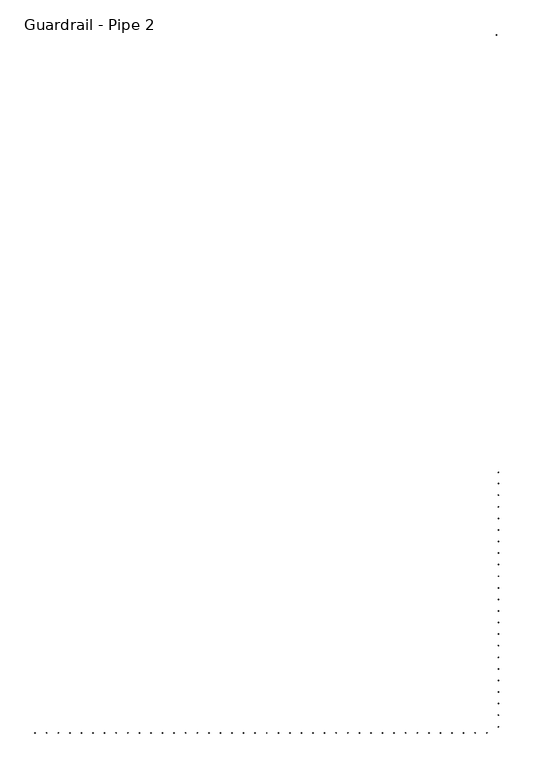
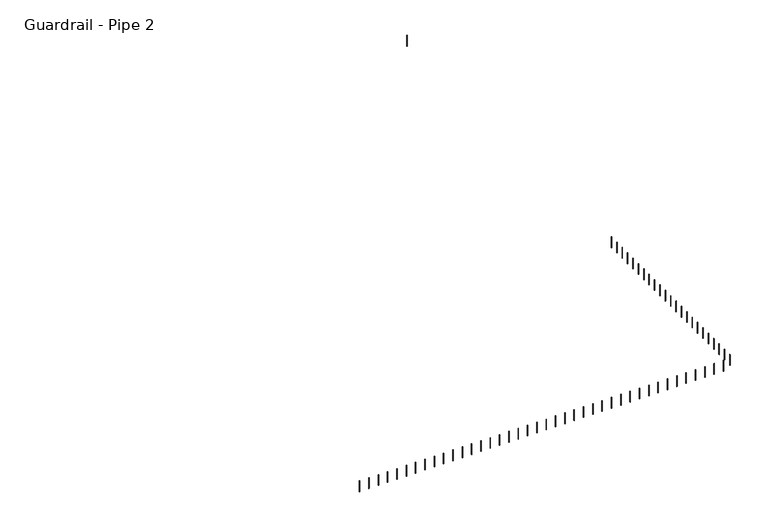
"""IFC4 building model written with IfcOpenShell, lengths in millimetres: railing geometry, Guardrail - Pipe 2."""

from ifc_helpers import new_model, si_unit, point, frame, frame_2d, origin, place, context, project, spatial, circle_curve, trimmed, segment, composite_curve, outline, extrude, source, transform, mapped, element, save


def guardrail_pipe_2_79d93ec9(model_context):
    return source(origin(), model_context, "Body", "SweptSolid", [
        extrude(outline(composite_curve([segment(trimmed(circle_curve(frame_2d((217664.0525869, -519278.4080223)), 12.7), [point((217664.0525869, -519291.1080223))], [point((217664.0525869, -519265.7080223))], False, "CARTESIAN"), True, "CONTINUOUS"), segment(trimmed(circle_curve(frame_2d((217664.0525869, -519278.4080223)), 12.7), [point((217664.0525869, -519265.7080223))], [point((217664.0525869, -519291.1080223))], False, "CARTESIAN"), True, "CONTINUOUS")], self_intersect=False)), frame((0.0, 0.0, 4572.0), z_axis=(0.0, 0.0, 1.0), x_axis=(1.0, 0.0, 0.0)), (0.0, 0.0, 1.0), 723.9),
        extrude(outline(composite_curve([segment(trimmed(circle_curve(frame_2d((218273.6525869, -519278.4080223)), 12.7), [point((218273.6525869, -519291.1080223))], [point((218273.6525869, -519265.7080223))], False, "CARTESIAN"), True, "CONTINUOUS"), segment(trimmed(circle_curve(frame_2d((218273.6525869, -519278.4080223)), 12.7), [point((218273.6525869, -519265.7080223))], [point((218273.6525869, -519291.1080223))], False, "CARTESIAN"), True, "CONTINUOUS")], self_intersect=False)), frame((0.0, 0.0, 4572.0), z_axis=(0.0, 0.0, 1.0), x_axis=(1.0, 0.0, 0.0)), (0.0, 0.0, 1.0), 723.9),
        extrude(outline(composite_curve([segment(trimmed(circle_curve(frame_2d((218883.2525869, -519278.4080223)), 12.7), [point((218883.2525869, -519291.1080223))], [point((218883.2525869, -519265.7080223))], False, "CARTESIAN"), True, "CONTINUOUS"), segment(trimmed(circle_curve(frame_2d((218883.2525869, -519278.4080223)), 12.7), [point((218883.2525869, -519265.7080223))], [point((218883.2525869, -519291.1080223))], False, "CARTESIAN"), True, "CONTINUOUS")], self_intersect=False)), frame((0.0, 0.0, 4572.0), z_axis=(0.0, 0.0, 1.0), x_axis=(1.0, 0.0, 0.0)), (0.0, 0.0, 1.0), 723.9),
        extrude(outline(composite_curve([segment(trimmed(circle_curve(frame_2d((219492.8525869, -519278.4080223)), 12.7), [point((219492.8525869, -519291.1080223))], [point((219492.8525869, -519265.7080223))], False, "CARTESIAN"), True, "CONTINUOUS"), segment(trimmed(circle_curve(frame_2d((219492.8525869, -519278.4080223)), 12.7), [point((219492.8525869, -519265.7080223))], [point((219492.8525869, -519291.1080223))], False, "CARTESIAN"), True, "CONTINUOUS")], self_intersect=False)), frame((0.0, 0.0, 4572.0), z_axis=(0.0, 0.0, 1.0), x_axis=(1.0, 0.0, 0.0)), (0.0, 0.0, 1.0), 723.9),
        extrude(outline(composite_curve([segment(trimmed(circle_curve(frame_2d((220102.4525869, -519278.4080223)), 12.7), [point((220102.4525869, -519291.1080223))], [point((220102.4525869, -519265.7080223))], False, "CARTESIAN"), True, "CONTINUOUS"), segment(trimmed(circle_curve(frame_2d((220102.4525869, -519278.4080223)), 12.7), [point((220102.4525869, -519265.7080223))], [point((220102.4525869, -519291.1080223))], False, "CARTESIAN"), True, "CONTINUOUS")], self_intersect=False)), frame((0.0, 0.0, 4572.0), z_axis=(0.0, 0.0, 1.0), x_axis=(1.0, 0.0, 0.0)), (0.0, 0.0, 1.0), 723.9),
        extrude(outline(composite_curve([segment(trimmed(circle_curve(frame_2d((220712.0525869, -519278.4080223)), 12.7), [point((220712.0525869, -519291.1080223))], [point((220712.0525869, -519265.7080223))], False, "CARTESIAN"), True, "CONTINUOUS"), segment(trimmed(circle_curve(frame_2d((220712.0525869, -519278.4080223)), 12.7), [point((220712.0525869, -519265.7080223))], [point((220712.0525869, -519291.1080223))], False, "CARTESIAN"), True, "CONTINUOUS")], self_intersect=False)), frame((0.0, 0.0, 4572.0), z_axis=(0.0, 0.0, 1.0), x_axis=(1.0, 0.0, 0.0)), (0.0, 0.0, 1.0), 723.9),
        extrude(outline(composite_curve([segment(trimmed(circle_curve(frame_2d((221321.6525869, -519278.4080223)), 12.7), [point((221321.6525869, -519291.1080223))], [point((221321.6525869, -519265.7080223))], False, "CARTESIAN"), True, "CONTINUOUS"), segment(trimmed(circle_curve(frame_2d((221321.6525869, -519278.4080223)), 12.7), [point((221321.6525869, -519265.7080223))], [point((221321.6525869, -519291.1080223))], False, "CARTESIAN"), True, "CONTINUOUS")], self_intersect=False)), frame((0.0, 0.0, 4572.0), z_axis=(0.0, 0.0, 1.0), x_axis=(1.0, 0.0, 0.0)), (0.0, 0.0, 1.0), 723.9),
        extrude(outline(composite_curve([segment(trimmed(circle_curve(frame_2d((221931.2525869, -519278.4080223)), 12.7), [point((221931.2525869, -519291.1080223))], [point((221931.2525869, -519265.7080223))], False, "CARTESIAN"), True, "CONTINUOUS"), segment(trimmed(circle_curve(frame_2d((221931.2525869, -519278.4080223)), 12.7), [point((221931.2525869, -519265.7080223))], [point((221931.2525869, -519291.1080223))], False, "CARTESIAN"), True, "CONTINUOUS")], self_intersect=False)), frame((0.0, 0.0, 4572.0), z_axis=(0.0, 0.0, 1.0), x_axis=(1.0, 0.0, 0.0)), (0.0, 0.0, 1.0), 723.9),
        extrude(outline(composite_curve([segment(trimmed(circle_curve(frame_2d((222540.8525869, -519278.4080223)), 12.7), [point((222540.8525869, -519291.1080223))], [point((222540.8525869, -519265.7080223))], False, "CARTESIAN"), True, "CONTINUOUS"), segment(trimmed(circle_curve(frame_2d((222540.8525869, -519278.4080223)), 12.7), [point((222540.8525869, -519265.7080223))], [point((222540.8525869, -519291.1080223))], False, "CARTESIAN"), True, "CONTINUOUS")], self_intersect=False)), frame((0.0, 0.0, 4572.0), z_axis=(0.0, 0.0, 1.0), x_axis=(1.0, 0.0, 0.0)), (0.0, 0.0, 1.0), 723.9),
        extrude(outline(composite_curve([segment(trimmed(circle_curve(frame_2d((223150.4525869, -519278.4080223)), 12.7), [point((223150.4525869, -519291.1080223))], [point((223150.4525869, -519265.7080223))], False, "CARTESIAN"), True, "CONTINUOUS"), segment(trimmed(circle_curve(frame_2d((223150.4525869, -519278.4080223)), 12.7), [point((223150.4525869, -519265.7080223))], [point((223150.4525869, -519291.1080223))], False, "CARTESIAN"), True, "CONTINUOUS")], self_intersect=False)), frame((0.0, 0.0, 4572.0), z_axis=(0.0, 0.0, 1.0), x_axis=(1.0, 0.0, 0.0)), (0.0, 0.0, 1.0), 723.9),
        extrude(outline(composite_curve([segment(trimmed(circle_curve(frame_2d((223760.0525869, -519278.4080223)), 12.7), [point((223760.0525869, -519291.1080223))], [point((223760.0525869, -519265.7080223))], False, "CARTESIAN"), True, "CONTINUOUS"), segment(trimmed(circle_curve(frame_2d((223760.0525869, -519278.4080223)), 12.7), [point((223760.0525869, -519265.7080223))], [point((223760.0525869, -519291.1080223))], False, "CARTESIAN"), True, "CONTINUOUS")], self_intersect=False)), frame((0.0, 0.0, 4572.0), z_axis=(0.0, 0.0, 1.0), x_axis=(1.0, 0.0, 0.0)), (0.0, 0.0, 1.0), 723.9),
        extrude(outline(composite_curve([segment(trimmed(circle_curve(frame_2d((224369.6525869, -519278.4080223)), 12.7), [point((224369.6525869, -519291.1080223))], [point((224369.6525869, -519265.7080223))], False, "CARTESIAN"), True, "CONTINUOUS"), segment(trimmed(circle_curve(frame_2d((224369.6525869, -519278.4080223)), 12.7), [point((224369.6525869, -519265.7080223))], [point((224369.6525869, -519291.1080223))], False, "CARTESIAN"), True, "CONTINUOUS")], self_intersect=False)), frame((0.0, 0.0, 4572.0), z_axis=(0.0, 0.0, 1.0), x_axis=(1.0, 0.0, 0.0)), (0.0, 0.0, 1.0), 723.9),
        extrude(outline(composite_curve([segment(trimmed(circle_curve(frame_2d((224979.2525869, -519278.4080223)), 12.7), [point((224979.2525869, -519291.1080223))], [point((224979.2525869, -519265.7080223))], False, "CARTESIAN"), True, "CONTINUOUS"), segment(trimmed(circle_curve(frame_2d((224979.2525869, -519278.4080223)), 12.7), [point((224979.2525869, -519265.7080223))], [point((224979.2525869, -519291.1080223))], False, "CARTESIAN"), True, "CONTINUOUS")], self_intersect=False)), frame((0.0, 0.0, 4572.0), z_axis=(0.0, 0.0, 1.0), x_axis=(1.0, 0.0, 0.0)), (0.0, 0.0, 1.0), 723.9),
        extrude(outline(composite_curve([segment(trimmed(circle_curve(frame_2d((225588.8525869, -519278.4080223)), 12.7), [point((225588.8525869, -519291.1080223))], [point((225588.8525869, -519265.7080223))], False, "CARTESIAN"), True, "CONTINUOUS"), segment(trimmed(circle_curve(frame_2d((225588.8525869, -519278.4080223)), 12.7), [point((225588.8525869, -519265.7080223))], [point((225588.8525869, -519291.1080223))], False, "CARTESIAN"), True, "CONTINUOUS")], self_intersect=False)), frame((0.0, 0.0, 4572.0), z_axis=(0.0, 0.0, 1.0), x_axis=(1.0, 0.0, 0.0)), (0.0, 0.0, 1.0), 723.9),
        extrude(outline(composite_curve([segment(trimmed(circle_curve(frame_2d((226198.4525869, -519278.4080223)), 12.7), [point((226198.4525869, -519291.1080223))], [point((226198.4525869, -519265.7080223))], False, "CARTESIAN"), True, "CONTINUOUS"), segment(trimmed(circle_curve(frame_2d((226198.4525869, -519278.4080223)), 12.7), [point((226198.4525869, -519265.7080223))], [point((226198.4525869, -519291.1080223))], False, "CARTESIAN"), True, "CONTINUOUS")], self_intersect=False)), frame((0.0, 0.0, 4572.0), z_axis=(0.0, 0.0, 1.0), x_axis=(1.0, 0.0, 0.0)), (0.0, 0.0, 1.0), 723.9),
        extrude(outline(composite_curve([segment(trimmed(circle_curve(frame_2d((226808.0525869, -519278.4080223)), 12.7), [point((226808.0525869, -519291.1080223))], [point((226808.0525869, -519265.7080223))], False, "CARTESIAN"), True, "CONTINUOUS"), segment(trimmed(circle_curve(frame_2d((226808.0525869, -519278.4080223)), 12.7), [point((226808.0525869, -519265.7080223))], [point((226808.0525869, -519291.1080223))], False, "CARTESIAN"), True, "CONTINUOUS")], self_intersect=False)), frame((0.0, 0.0, 4572.0), z_axis=(0.0, 0.0, 1.0), x_axis=(1.0, 0.0, 0.0)), (0.0, 0.0, 1.0), 723.9),
        extrude(outline(composite_curve([segment(trimmed(circle_curve(frame_2d((227417.6525869, -519278.4080223)), 12.7), [point((227417.6525869, -519291.1080223))], [point((227417.6525869, -519265.7080223))], False, "CARTESIAN"), True, "CONTINUOUS"), segment(trimmed(circle_curve(frame_2d((227417.6525869, -519278.4080223)), 12.7), [point((227417.6525869, -519265.7080223))], [point((227417.6525869, -519291.1080223))], False, "CARTESIAN"), True, "CONTINUOUS")], self_intersect=False)), frame((0.0, 0.0, 4572.0), z_axis=(0.0, 0.0, 1.0), x_axis=(1.0, 0.0, 0.0)), (0.0, 0.0, 1.0), 723.9),
        extrude(outline(composite_curve([segment(trimmed(circle_curve(frame_2d((228027.2525869, -519278.4080223)), 12.7), [point((228027.2525869, -519291.1080223))], [point((228027.2525869, -519265.7080223))], False, "CARTESIAN"), True, "CONTINUOUS"), segment(trimmed(circle_curve(frame_2d((228027.2525869, -519278.4080223)), 12.7), [point((228027.2525869, -519265.7080223))], [point((228027.2525869, -519291.1080223))], False, "CARTESIAN"), True, "CONTINUOUS")], self_intersect=False)), frame((0.0, 0.0, 4572.0), z_axis=(0.0, 0.0, 1.0), x_axis=(1.0, 0.0, 0.0)), (0.0, 0.0, 1.0), 723.9),
        extrude(outline(composite_curve([segment(trimmed(circle_curve(frame_2d((228636.8525869, -519278.4080223)), 12.7), [point((228636.8525869, -519291.1080223))], [point((228636.8525869, -519265.7080223))], False, "CARTESIAN"), True, "CONTINUOUS"), segment(trimmed(circle_curve(frame_2d((228636.8525869, -519278.4080223)), 12.7), [point((228636.8525869, -519265.7080223))], [point((228636.8525869, -519291.1080223))], False, "CARTESIAN"), True, "CONTINUOUS")], self_intersect=False)), frame((0.0, 0.0, 4572.0), z_axis=(0.0, 0.0, 1.0), x_axis=(1.0, 0.0, 0.0)), (0.0, 0.0, 1.0), 723.9),
        extrude(outline(composite_curve([segment(trimmed(circle_curve(frame_2d((229246.4525869, -519278.4080223)), 12.7), [point((229246.4525869, -519291.1080223))], [point((229246.4525869, -519265.7080223))], False, "CARTESIAN"), True, "CONTINUOUS"), segment(trimmed(circle_curve(frame_2d((229246.4525869, -519278.4080223)), 12.7), [point((229246.4525869, -519265.7080223))], [point((229246.4525869, -519291.1080223))], False, "CARTESIAN"), True, "CONTINUOUS")], self_intersect=False)), frame((0.0, 0.0, 4572.0), z_axis=(0.0, 0.0, 1.0), x_axis=(1.0, 0.0, 0.0)), (0.0, 0.0, 1.0), 723.9),
        extrude(outline(composite_curve([segment(trimmed(circle_curve(frame_2d((229856.0525869, -519278.4080223)), 12.7), [point((229856.0525869, -519291.1080223))], [point((229856.0525869, -519265.7080223))], False, "CARTESIAN"), True, "CONTINUOUS"), segment(trimmed(circle_curve(frame_2d((229856.0525869, -519278.4080223)), 12.7), [point((229856.0525869, -519265.7080223))], [point((229856.0525869, -519291.1080223))], False, "CARTESIAN"), True, "CONTINUOUS")], self_intersect=False)), frame((0.0, 0.0, 4572.0), z_axis=(0.0, 0.0, 1.0), x_axis=(1.0, 0.0, 0.0)), (0.0, 0.0, 1.0), 723.9),
        extrude(outline(composite_curve([segment(trimmed(circle_curve(frame_2d((230465.6525869, -519278.4080223)), 12.7), [point((230465.6525869, -519291.1080223))], [point((230465.6525869, -519265.7080223))], False, "CARTESIAN"), True, "CONTINUOUS"), segment(trimmed(circle_curve(frame_2d((230465.6525869, -519278.4080223)), 12.7), [point((230465.6525869, -519265.7080223))], [point((230465.6525869, -519291.1080223))], False, "CARTESIAN"), True, "CONTINUOUS")], self_intersect=False)), frame((0.0, 0.0, 4572.0), z_axis=(0.0, 0.0, 1.0), x_axis=(1.0, 0.0, 0.0)), (0.0, 0.0, 1.0), 723.9),
        extrude(outline(composite_curve([segment(trimmed(circle_curve(frame_2d((231075.2525869, -519278.4080223)), 12.7), [point((231075.2525869, -519291.1080223))], [point((231075.2525869, -519265.7080223))], False, "CARTESIAN"), True, "CONTINUOUS"), segment(trimmed(circle_curve(frame_2d((231075.2525869, -519278.4080223)), 12.7), [point((231075.2525869, -519265.7080223))], [point((231075.2525869, -519291.1080223))], False, "CARTESIAN"), True, "CONTINUOUS")], self_intersect=False)), frame((0.0, 0.0, 4572.0), z_axis=(0.0, 0.0, 1.0), x_axis=(1.0, 0.0, 0.0)), (0.0, 0.0, 1.0), 723.9),
        extrude(outline(composite_curve([segment(trimmed(circle_curve(frame_2d((231684.8525869, -519278.4080223)), 12.7), [point((231684.8525869, -519291.1080223))], [point((231684.8525869, -519265.7080223))], False, "CARTESIAN"), True, "CONTINUOUS"), segment(trimmed(circle_curve(frame_2d((231684.8525869, -519278.4080223)), 12.7), [point((231684.8525869, -519265.7080223))], [point((231684.8525869, -519291.1080223))], False, "CARTESIAN"), True, "CONTINUOUS")], self_intersect=False)), frame((0.0, 0.0, 4572.0), z_axis=(0.0, 0.0, 1.0), x_axis=(1.0, 0.0, 0.0)), (0.0, 0.0, 1.0), 723.9),
        extrude(outline(composite_curve([segment(trimmed(circle_curve(frame_2d((232294.4525869, -519278.4080223)), 12.7), [point((232294.4525869, -519291.1080223))], [point((232294.4525869, -519265.7080223))], False, "CARTESIAN"), True, "CONTINUOUS"), segment(trimmed(circle_curve(frame_2d((232294.4525869, -519278.4080223)), 12.7), [point((232294.4525869, -519265.7080223))], [point((232294.4525869, -519291.1080223))], False, "CARTESIAN"), True, "CONTINUOUS")], self_intersect=False)), frame((0.0, 0.0, 4572.0), z_axis=(0.0, 0.0, 1.0), x_axis=(1.0, 0.0, 0.0)), (0.0, 0.0, 1.0), 723.9),
        extrude(outline(composite_curve([segment(trimmed(circle_curve(frame_2d((232904.0525869, -519278.4080223)), 12.7), [point((232904.0525869, -519291.1080223))], [point((232904.0525869, -519265.7080223))], False, "CARTESIAN"), True, "CONTINUOUS"), segment(trimmed(circle_curve(frame_2d((232904.0525869, -519278.4080223)), 12.7), [point((232904.0525869, -519265.7080223))], [point((232904.0525869, -519291.1080223))], False, "CARTESIAN"), True, "CONTINUOUS")], self_intersect=False)), frame((0.0, 0.0, 4572.0), z_axis=(0.0, 0.0, 1.0), x_axis=(1.0, 0.0, 0.0)), (0.0, 0.0, 1.0), 723.9),
        extrude(outline(composite_curve([segment(trimmed(circle_curve(frame_2d((233513.6525869, -519278.4080223)), 12.7), [point((233513.6525869, -519291.1080223))], [point((233513.6525869, -519265.7080223))], False, "CARTESIAN"), True, "CONTINUOUS"), segment(trimmed(circle_curve(frame_2d((233513.6525869, -519278.4080223)), 12.7), [point((233513.6525869, -519265.7080223))], [point((233513.6525869, -519291.1080223))], False, "CARTESIAN"), True, "CONTINUOUS")], self_intersect=False)), frame((0.0, 0.0, 4572.0), z_axis=(0.0, 0.0, 1.0), x_axis=(1.0, 0.0, 0.0)), (0.0, 0.0, 1.0), 723.9),
        extrude(outline(composite_curve([segment(trimmed(circle_curve(frame_2d((234123.2525869, -519278.4080223)), 12.7), [point((234123.2525869, -519291.1080223))], [point((234123.2525869, -519265.7080223))], False, "CARTESIAN"), True, "CONTINUOUS"), segment(trimmed(circle_curve(frame_2d((234123.2525869, -519278.4080223)), 12.7), [point((234123.2525869, -519265.7080223))], [point((234123.2525869, -519291.1080223))], False, "CARTESIAN"), True, "CONTINUOUS")], self_intersect=False)), frame((0.0, 0.0, 4572.0), z_axis=(0.0, 0.0, 1.0), x_axis=(1.0, 0.0, 0.0)), (0.0, 0.0, 1.0), 723.9),
        extrude(outline(composite_curve([segment(trimmed(circle_curve(frame_2d((234732.8525869, -519278.4080223)), 12.7), [point((234732.8525869, -519291.1080223))], [point((234732.8525869, -519265.7080223))], False, "CARTESIAN"), True, "CONTINUOUS"), segment(trimmed(circle_curve(frame_2d((234732.8525869, -519278.4080223)), 12.7), [point((234732.8525869, -519265.7080223))], [point((234732.8525869, -519291.1080223))], False, "CARTESIAN"), True, "CONTINUOUS")], self_intersect=False)), frame((0.0, 0.0, 4572.0), z_axis=(0.0, 0.0, 1.0), x_axis=(1.0, 0.0, 0.0)), (0.0, 0.0, 1.0), 723.9),
        extrude(outline(composite_curve([segment(trimmed(circle_curve(frame_2d((235342.4525869, -519278.4080223)), 12.7), [point((235342.4525869, -519291.1080223))], [point((235342.4525869, -519265.7080223))], False, "CARTESIAN"), True, "CONTINUOUS"), segment(trimmed(circle_curve(frame_2d((235342.4525869, -519278.4080223)), 12.7), [point((235342.4525869, -519265.7080223))], [point((235342.4525869, -519291.1080223))], False, "CARTESIAN"), True, "CONTINUOUS")], self_intersect=False)), frame((0.0, 0.0, 4572.0), z_axis=(0.0, 0.0, 1.0), x_axis=(1.0, 0.0, 0.0)), (0.0, 0.0, 1.0), 723.9),
        extrude(outline(composite_curve([segment(trimmed(circle_curve(frame_2d((235952.0525869, -519278.4080223)), 12.7), [point((235952.0525869, -519291.1080223))], [point((235952.0525869, -519265.7080223))], False, "CARTESIAN"), True, "CONTINUOUS"), segment(trimmed(circle_curve(frame_2d((235952.0525869, -519278.4080223)), 12.7), [point((235952.0525869, -519265.7080223))], [point((235952.0525869, -519291.1080223))], False, "CARTESIAN"), True, "CONTINUOUS")], self_intersect=False)), frame((0.0, 0.0, 4572.0), z_axis=(0.0, 0.0, 1.0), x_axis=(1.0, 0.0, 0.0)), (0.0, 0.0, 1.0), 723.9),
        extrude(outline(composite_curve([segment(trimmed(circle_curve(frame_2d((236561.6525869, -519278.4080223)), 12.7), [point((236561.6525869, -519291.1080223))], [point((236561.6525869, -519265.7080223))], False, "CARTESIAN"), True, "CONTINUOUS"), segment(trimmed(circle_curve(frame_2d((236561.6525869, -519278.4080223)), 12.7), [point((236561.6525869, -519265.7080223))], [point((236561.6525869, -519291.1080223))], False, "CARTESIAN"), True, "CONTINUOUS")], self_intersect=False)), frame((0.0, 0.0, 4572.0), z_axis=(0.0, 0.0, 1.0), x_axis=(1.0, 0.0, 0.0)), (0.0, 0.0, 1.0), 723.9),
        extrude(outline(composite_curve([segment(trimmed(circle_curve(frame_2d((237171.2525869, -519278.4080223)), 12.7), [point((237171.2525869, -519291.1080223))], [point((237171.2525869, -519265.7080223))], False, "CARTESIAN"), True, "CONTINUOUS"), segment(trimmed(circle_curve(frame_2d((237171.2525869, -519278.4080223)), 12.7), [point((237171.2525869, -519265.7080223))], [point((237171.2525869, -519291.1080223))], False, "CARTESIAN"), True, "CONTINUOUS")], self_intersect=False)), frame((0.0, 0.0, 4572.0), z_axis=(0.0, 0.0, 1.0), x_axis=(1.0, 0.0, 0.0)), (0.0, 0.0, 1.0), 723.9),
        extrude(outline(composite_curve([segment(trimmed(circle_curve(frame_2d((237780.8525869, -519278.4080223)), 12.7), [point((237780.8525869, -519291.1080223))], [point((237780.8525869, -519265.7080223))], False, "CARTESIAN"), True, "CONTINUOUS"), segment(trimmed(circle_curve(frame_2d((237780.8525869, -519278.4080223)), 12.7), [point((237780.8525869, -519265.7080223))], [point((237780.8525869, -519291.1080223))], False, "CARTESIAN"), True, "CONTINUOUS")], self_intersect=False)), frame((0.0, 0.0, 4572.0), z_axis=(0.0, 0.0, 1.0), x_axis=(1.0, 0.0, 0.0)), (0.0, 0.0, 1.0), 723.9),
        extrude(outline(composite_curve([segment(trimmed(circle_curve(frame_2d((238390.4525869, -519278.4080223)), 12.7), [point((238390.4525869, -519291.1080223))], [point((238390.4525869, -519265.7080223))], False, "CARTESIAN"), True, "CONTINUOUS"), segment(trimmed(circle_curve(frame_2d((238390.4525869, -519278.4080223)), 12.7), [point((238390.4525869, -519265.7080223))], [point((238390.4525869, -519291.1080223))], False, "CARTESIAN"), True, "CONTINUOUS")], self_intersect=False)), frame((0.0, 0.0, 4572.0), z_axis=(0.0, 0.0, 1.0), x_axis=(1.0, 0.0, 0.0)), (0.0, 0.0, 1.0), 723.9),
        extrude(outline(composite_curve([segment(trimmed(circle_curve(frame_2d((239000.0525869, -519278.4080223)), 12.7), [point((239000.0525869, -519291.1080223))], [point((239000.0525869, -519265.7080223))], False, "CARTESIAN"), True, "CONTINUOUS"), segment(trimmed(circle_curve(frame_2d((239000.0525869, -519278.4080223)), 12.7), [point((239000.0525869, -519265.7080223))], [point((239000.0525869, -519291.1080223))], False, "CARTESIAN"), True, "CONTINUOUS")], self_intersect=False)), frame((0.0, 0.0, 4572.0), z_axis=(0.0, 0.0, 1.0), x_axis=(1.0, 0.0, 0.0)), (0.0, 0.0, 1.0), 723.9),
        extrude(outline(composite_curve([segment(trimmed(circle_curve(frame_2d((239609.6525869, -519278.4080223)), 12.7), [point((239609.6525869, -519291.1080223))], [point((239609.6525869, -519265.7080223))], False, "CARTESIAN"), True, "CONTINUOUS"), segment(trimmed(circle_curve(frame_2d((239609.6525869, -519278.4080223)), 12.7), [point((239609.6525869, -519265.7080223))], [point((239609.6525869, -519291.1080223))], False, "CARTESIAN"), True, "CONTINUOUS")], self_intersect=False)), frame((0.0, 0.0, 4572.0), z_axis=(0.0, 0.0, 1.0), x_axis=(1.0, 0.0, 0.0)), (0.0, 0.0, 1.0), 723.9),
        extrude(outline(composite_curve([segment(trimmed(circle_curve(frame_2d((240219.2525869, -519278.4080223)), 12.7), [point((240219.2525869, -519291.1080223))], [point((240219.2525869, -519265.7080223))], False, "CARTESIAN"), True, "CONTINUOUS"), segment(trimmed(circle_curve(frame_2d((240219.2525869, -519278.4080223)), 12.7), [point((240219.2525869, -519265.7080223))], [point((240219.2525869, -519291.1080223))], False, "CARTESIAN"), True, "CONTINUOUS")], self_intersect=False)), frame((0.0, 0.0, 4572.0), z_axis=(0.0, 0.0, 1.0), x_axis=(1.0, 0.0, 0.0)), (0.0, 0.0, 1.0), 723.9),
        extrude(outline(composite_curve([segment(trimmed(circle_curve(frame_2d((240828.8525869, -519278.4080223)), 12.7), [point((240828.8525869, -519291.1080223))], [point((240828.8525869, -519265.7080223))], False, "CARTESIAN"), True, "CONTINUOUS"), segment(trimmed(circle_curve(frame_2d((240828.8525869, -519278.4080223)), 12.7), [point((240828.8525869, -519265.7080223))], [point((240828.8525869, -519291.1080223))], False, "CARTESIAN"), True, "CONTINUOUS")], self_intersect=False)), frame((0.0, 0.0, 4572.0), z_axis=(0.0, 0.0, 1.0), x_axis=(1.0, 0.0, 0.0)), (0.0, 0.0, 1.0), 723.9),
        extrude(outline(composite_curve([segment(trimmed(circle_curve(frame_2d((241438.4525869, -519278.4080223)), 12.7), [point((241438.4525869, -519291.1080223))], [point((241438.4525869, -519265.7080223))], False, "CARTESIAN"), True, "CONTINUOUS"), segment(trimmed(circle_curve(frame_2d((241438.4525869, -519278.4080223)), 12.7), [point((241438.4525869, -519265.7080223))], [point((241438.4525869, -519291.1080223))], False, "CARTESIAN"), True, "CONTINUOUS")], self_intersect=False)), frame((0.0, 0.0, 4572.0), z_axis=(0.0, 0.0, 1.0), x_axis=(1.0, 0.0, 0.0)), (0.0, 0.0, 1.0), 723.9),
        extrude(outline(composite_curve([segment(trimmed(circle_curve(frame_2d((242048.0525869, -518959.3205223)), 12.7), [point((242060.7525869, -518959.3205223))], [point((242035.3525869, -518959.3205223))], False, "CARTESIAN"), True, "CONTINUOUS"), segment(trimmed(circle_curve(frame_2d((242048.0525869, -518959.3205223)), 12.7), [point((242035.3525869, -518959.3205223))], [point((242060.7525869, -518959.3205223))], False, "CARTESIAN"), True, "CONTINUOUS")], self_intersect=False)), frame((0.0, 0.0, 4572.0), z_axis=(0.0, 0.0, 1.0), x_axis=(1.0, 0.0, 0.0)), (0.0, 0.0, 1.0), 723.9),
        extrude(outline(composite_curve([segment(trimmed(circle_curve(frame_2d((242048.0525869, -518349.7205223)), 12.7), [point((242060.7525869, -518349.7205223))], [point((242035.3525869, -518349.7205223))], False, "CARTESIAN"), True, "CONTINUOUS"), segment(trimmed(circle_curve(frame_2d((242048.0525869, -518349.7205223)), 12.7), [point((242035.3525869, -518349.7205223))], [point((242060.7525869, -518349.7205223))], False, "CARTESIAN"), True, "CONTINUOUS")], self_intersect=False)), frame((0.0, 0.0, 4572.0), z_axis=(0.0, 0.0, 1.0), x_axis=(1.0, 0.0, 0.0)), (0.0, 0.0, 1.0), 723.9),
        extrude(outline(composite_curve([segment(trimmed(circle_curve(frame_2d((242048.0525869, -517740.1205223)), 12.7), [point((242060.7525869, -517740.1205223))], [point((242035.3525869, -517740.1205223))], False, "CARTESIAN"), True, "CONTINUOUS"), segment(trimmed(circle_curve(frame_2d((242048.0525869, -517740.1205223)), 12.7), [point((242035.3525869, -517740.1205223))], [point((242060.7525869, -517740.1205223))], False, "CARTESIAN"), True, "CONTINUOUS")], self_intersect=False)), frame((0.0, 0.0, 4572.0), z_axis=(0.0, 0.0, 1.0), x_axis=(1.0, 0.0, 0.0)), (0.0, 0.0, 1.0), 723.9),
        extrude(outline(composite_curve([segment(trimmed(circle_curve(frame_2d((242048.0525869, -517130.5205223)), 12.7), [point((242060.7525869, -517130.5205223))], [point((242035.3525869, -517130.5205223))], False, "CARTESIAN"), True, "CONTINUOUS"), segment(trimmed(circle_curve(frame_2d((242048.0525869, -517130.5205223)), 12.7), [point((242035.3525869, -517130.5205223))], [point((242060.7525869, -517130.5205223))], False, "CARTESIAN"), True, "CONTINUOUS")], self_intersect=False)), frame((0.0, 0.0, 4572.0), z_axis=(0.0, 0.0, 1.0), x_axis=(1.0, 0.0, 0.0)), (0.0, 0.0, 1.0), 723.9),
        extrude(outline(composite_curve([segment(trimmed(circle_curve(frame_2d((242048.0525869, -516520.9205223)), 12.7), [point((242060.7525869, -516520.9205223))], [point((242035.3525869, -516520.9205223))], False, "CARTESIAN"), True, "CONTINUOUS"), segment(trimmed(circle_curve(frame_2d((242048.0525869, -516520.9205223)), 12.7), [point((242035.3525869, -516520.9205223))], [point((242060.7525869, -516520.9205223))], False, "CARTESIAN"), True, "CONTINUOUS")], self_intersect=False)), frame((0.0, 0.0, 4572.0), z_axis=(0.0, 0.0, 1.0), x_axis=(1.0, 0.0, 0.0)), (0.0, 0.0, 1.0), 723.9),
        extrude(outline(composite_curve([segment(trimmed(circle_curve(frame_2d((242048.0525869, -515911.3205223)), 12.7), [point((242060.7525869, -515911.3205223))], [point((242035.3525869, -515911.3205223))], False, "CARTESIAN"), True, "CONTINUOUS"), segment(trimmed(circle_curve(frame_2d((242048.0525869, -515911.3205223)), 12.7), [point((242035.3525869, -515911.3205223))], [point((242060.7525869, -515911.3205223))], False, "CARTESIAN"), True, "CONTINUOUS")], self_intersect=False)), frame((0.0, 0.0, 4572.0), z_axis=(0.0, 0.0, 1.0), x_axis=(1.0, 0.0, 0.0)), (0.0, 0.0, 1.0), 723.9),
        extrude(outline(composite_curve([segment(trimmed(circle_curve(frame_2d((242048.0525869, -515301.7205223)), 12.7), [point((242060.7525869, -515301.7205223))], [point((242035.3525869, -515301.7205223))], False, "CARTESIAN"), True, "CONTINUOUS"), segment(trimmed(circle_curve(frame_2d((242048.0525869, -515301.7205223)), 12.7), [point((242035.3525869, -515301.7205223))], [point((242060.7525869, -515301.7205223))], False, "CARTESIAN"), True, "CONTINUOUS")], self_intersect=False)), frame((0.0, 0.0, 4572.0), z_axis=(0.0, 0.0, 1.0), x_axis=(1.0, 0.0, 0.0)), (0.0, 0.0, 1.0), 723.9),
        extrude(outline(composite_curve([segment(trimmed(circle_curve(frame_2d((242048.0525869, -514692.1205223)), 12.7), [point((242060.7525869, -514692.1205223))], [point((242035.3525869, -514692.1205223))], False, "CARTESIAN"), True, "CONTINUOUS"), segment(trimmed(circle_curve(frame_2d((242048.0525869, -514692.1205223)), 12.7), [point((242035.3525869, -514692.1205223))], [point((242060.7525869, -514692.1205223))], False, "CARTESIAN"), True, "CONTINUOUS")], self_intersect=False)), frame((0.0, 0.0, 4572.0), z_axis=(0.0, 0.0, 1.0), x_axis=(1.0, 0.0, 0.0)), (0.0, 0.0, 1.0), 723.9),
        extrude(outline(composite_curve([segment(trimmed(circle_curve(frame_2d((242048.0525869, -514082.5205223)), 12.7), [point((242060.7525869, -514082.5205223))], [point((242035.3525869, -514082.5205223))], False, "CARTESIAN"), True, "CONTINUOUS"), segment(trimmed(circle_curve(frame_2d((242048.0525869, -514082.5205223)), 12.7), [point((242035.3525869, -514082.5205223))], [point((242060.7525869, -514082.5205223))], False, "CARTESIAN"), True, "CONTINUOUS")], self_intersect=False)), frame((0.0, 0.0, 4572.0), z_axis=(0.0, 0.0, 1.0), x_axis=(1.0, 0.0, 0.0)), (0.0, 0.0, 1.0), 723.9),
        extrude(outline(composite_curve([segment(trimmed(circle_curve(frame_2d((242048.0525869, -513472.9205223)), 12.7), [point((242060.7525869, -513472.9205223))], [point((242035.3525869, -513472.9205223))], False, "CARTESIAN"), True, "CONTINUOUS"), segment(trimmed(circle_curve(frame_2d((242048.0525869, -513472.9205223)), 12.7), [point((242035.3525869, -513472.9205223))], [point((242060.7525869, -513472.9205223))], False, "CARTESIAN"), True, "CONTINUOUS")], self_intersect=False)), frame((0.0, 0.0, 4572.0), z_axis=(0.0, 0.0, 1.0), x_axis=(1.0, 0.0, 0.0)), (0.0, 0.0, 1.0), 723.9),
        extrude(outline(composite_curve([segment(trimmed(circle_curve(frame_2d((242048.0525869, -512863.3205223)), 12.7), [point((242060.7525869, -512863.3205223))], [point((242035.3525869, -512863.3205223))], False, "CARTESIAN"), True, "CONTINUOUS"), segment(trimmed(circle_curve(frame_2d((242048.0525869, -512863.3205223)), 12.7), [point((242035.3525869, -512863.3205223))], [point((242060.7525869, -512863.3205223))], False, "CARTESIAN"), True, "CONTINUOUS")], self_intersect=False)), frame((0.0, 0.0, 4572.0), z_axis=(0.0, 0.0, 1.0), x_axis=(1.0, 0.0, 0.0)), (0.0, 0.0, 1.0), 723.9),
        extrude(outline(composite_curve([segment(trimmed(circle_curve(frame_2d((242048.0525869, -512253.7205223)), 12.7), [point((242060.7525869, -512253.7205223))], [point((242035.3525869, -512253.7205223))], False, "CARTESIAN"), True, "CONTINUOUS"), segment(trimmed(circle_curve(frame_2d((242048.0525869, -512253.7205223)), 12.7), [point((242035.3525869, -512253.7205223))], [point((242060.7525869, -512253.7205223))], False, "CARTESIAN"), True, "CONTINUOUS")], self_intersect=False)), frame((0.0, 0.0, 4572.0), z_axis=(0.0, 0.0, 1.0), x_axis=(1.0, 0.0, 0.0)), (0.0, 0.0, 1.0), 723.9),
        extrude(outline(composite_curve([segment(trimmed(circle_curve(frame_2d((242048.0525869, -511644.1205223)), 12.7), [point((242060.7525869, -511644.1205223))], [point((242035.3525869, -511644.1205223))], False, "CARTESIAN"), True, "CONTINUOUS"), segment(trimmed(circle_curve(frame_2d((242048.0525869, -511644.1205223)), 12.7), [point((242035.3525869, -511644.1205223))], [point((242060.7525869, -511644.1205223))], False, "CARTESIAN"), True, "CONTINUOUS")], self_intersect=False)), frame((0.0, 0.0, 4572.0), z_axis=(0.0, 0.0, 1.0), x_axis=(1.0, 0.0, 0.0)), (0.0, 0.0, 1.0), 723.9),
        extrude(outline(composite_curve([segment(trimmed(circle_curve(frame_2d((242048.0525869, -511034.5205223)), 12.7), [point((242060.7525869, -511034.5205223))], [point((242035.3525869, -511034.5205223))], False, "CARTESIAN"), True, "CONTINUOUS"), segment(trimmed(circle_curve(frame_2d((242048.0525869, -511034.5205223)), 12.7), [point((242035.3525869, -511034.5205223))], [point((242060.7525869, -511034.5205223))], False, "CARTESIAN"), True, "CONTINUOUS")], self_intersect=False)), frame((0.0, 0.0, 4572.0), z_axis=(0.0, 0.0, 1.0), x_axis=(1.0, 0.0, 0.0)), (0.0, 0.0, 1.0), 723.9),
        extrude(outline(composite_curve([segment(trimmed(circle_curve(frame_2d((242048.0525869, -510424.9205223)), 12.7), [point((242060.7525869, -510424.9205223))], [point((242035.3525869, -510424.9205223))], False, "CARTESIAN"), True, "CONTINUOUS"), segment(trimmed(circle_curve(frame_2d((242048.0525869, -510424.9205223)), 12.7), [point((242035.3525869, -510424.9205223))], [point((242060.7525869, -510424.9205223))], False, "CARTESIAN"), True, "CONTINUOUS")], self_intersect=False)), frame((0.0, 0.0, 4572.0), z_axis=(0.0, 0.0, 1.0), x_axis=(1.0, 0.0, 0.0)), (0.0, 0.0, 1.0), 723.9),
        extrude(outline(composite_curve([segment(trimmed(circle_curve(frame_2d((242048.0525869, -509815.3205223)), 12.7), [point((242060.7525869, -509815.3205223))], [point((242035.3525869, -509815.3205223))], False, "CARTESIAN"), True, "CONTINUOUS"), segment(trimmed(circle_curve(frame_2d((242048.0525869, -509815.3205223)), 12.7), [point((242035.3525869, -509815.3205223))], [point((242060.7525869, -509815.3205223))], False, "CARTESIAN"), True, "CONTINUOUS")], self_intersect=False)), frame((0.0, 0.0, 4572.0), z_axis=(0.0, 0.0, 1.0), x_axis=(1.0, 0.0, 0.0)), (0.0, 0.0, 1.0), 723.9),
        extrude(outline(composite_curve([segment(trimmed(circle_curve(frame_2d((242048.0525869, -509205.7205223)), 12.7), [point((242060.7525869, -509205.7205223))], [point((242035.3525869, -509205.7205223))], False, "CARTESIAN"), True, "CONTINUOUS"), segment(trimmed(circle_curve(frame_2d((242048.0525869, -509205.7205223)), 12.7), [point((242035.3525869, -509205.7205223))], [point((242060.7525869, -509205.7205223))], False, "CARTESIAN"), True, "CONTINUOUS")], self_intersect=False)), frame((0.0, 0.0, 4572.0), z_axis=(0.0, 0.0, 1.0), x_axis=(1.0, 0.0, 0.0)), (0.0, 0.0, 1.0), 723.9),
        extrude(outline(composite_curve([segment(trimmed(circle_curve(frame_2d((242048.0525869, -508596.1205223)), 12.7), [point((242060.7525869, -508596.1205223))], [point((242035.3525869, -508596.1205223))], False, "CARTESIAN"), True, "CONTINUOUS"), segment(trimmed(circle_curve(frame_2d((242048.0525869, -508596.1205223)), 12.7), [point((242035.3525869, -508596.1205223))], [point((242060.7525869, -508596.1205223))], False, "CARTESIAN"), True, "CONTINUOUS")], self_intersect=False)), frame((0.0, 0.0, 4572.0), z_axis=(0.0, 0.0, 1.0), x_axis=(1.0, 0.0, 0.0)), (0.0, 0.0, 1.0), 723.9),
        extrude(outline(composite_curve([segment(trimmed(circle_curve(frame_2d((242048.0525869, -507986.5205223)), 12.7), [point((242060.7525869, -507986.5205223))], [point((242035.3525869, -507986.5205223))], False, "CARTESIAN"), True, "CONTINUOUS"), segment(trimmed(circle_curve(frame_2d((242048.0525869, -507986.5205223)), 12.7), [point((242035.3525869, -507986.5205223))], [point((242060.7525869, -507986.5205223))], False, "CARTESIAN"), True, "CONTINUOUS")], self_intersect=False)), frame((0.0, 0.0, 4572.0), z_axis=(0.0, 0.0, 1.0), x_axis=(1.0, 0.0, 0.0)), (0.0, 0.0, 1.0), 723.9),
        extrude(outline(composite_curve([segment(trimmed(circle_curve(frame_2d((242048.0525869, -507376.9205223)), 12.7), [point((242060.7525869, -507376.9205223))], [point((242035.3525869, -507376.9205223))], False, "CARTESIAN"), True, "CONTINUOUS"), segment(trimmed(circle_curve(frame_2d((242048.0525869, -507376.9205223)), 12.7), [point((242035.3525869, -507376.9205223))], [point((242060.7525869, -507376.9205223))], False, "CARTESIAN"), True, "CONTINUOUS")], self_intersect=False)), frame((0.0, 0.0, 4572.0), z_axis=(0.0, 0.0, 1.0), x_axis=(1.0, 0.0, 0.0)), (0.0, 0.0, 1.0), 723.9),
        extrude(outline(composite_curve([segment(trimmed(circle_curve(frame_2d((242048.0525869, -506767.3205223)), 12.7), [point((242060.7525869, -506767.3205223))], [point((242035.3525869, -506767.3205223))], False, "CARTESIAN"), True, "CONTINUOUS"), segment(trimmed(circle_curve(frame_2d((242048.0525869, -506767.3205223)), 12.7), [point((242035.3525869, -506767.3205223))], [point((242060.7525869, -506767.3205223))], False, "CARTESIAN"), True, "CONTINUOUS")], self_intersect=False)), frame((0.0, 0.0, 4572.0), z_axis=(0.0, 0.0, 1.0), x_axis=(1.0, 0.0, 0.0)), (0.0, 0.0, 1.0), 723.9),
        extrude(outline(composite_curve([segment(trimmed(circle_curve(frame_2d((242048.0525869, -506157.7205223)), 12.7), [point((242060.7525869, -506157.7205223))], [point((242035.3525869, -506157.7205223))], False, "CARTESIAN"), True, "CONTINUOUS"), segment(trimmed(circle_curve(frame_2d((242048.0525869, -506157.7205223)), 12.7), [point((242035.3525869, -506157.7205223))], [point((242060.7525869, -506157.7205223))], False, "CARTESIAN"), True, "CONTINUOUS")], self_intersect=False)), frame((0.0, 0.0, 4572.0), z_axis=(0.0, 0.0, 1.0), x_axis=(1.0, 0.0, 0.0)), (0.0, 0.0, 1.0), 723.9),
        extrude(outline(composite_curve([segment(trimmed(circle_curve(frame_2d((241959.1525869, -482550.0080223)), 12.7), [point((241959.1525869, -482537.3080223))], [point((241959.1525869, -482562.7080223))], False, "CARTESIAN"), True, "CONTINUOUS"), segment(trimmed(circle_curve(frame_2d((241959.1525869, -482550.0080223)), 12.7), [point((241959.1525869, -482562.7080223))], [point((241959.1525869, -482537.3080223))], False, "CARTESIAN"), True, "CONTINUOUS")], self_intersect=False)), frame((0.0, 0.0, 4572.0), z_axis=(0.0, 0.0, 1.0), x_axis=(1.0, 0.0, 0.0)), (0.0, 0.0, 1.0), 723.9),
        extrude(outline(composite_curve([segment(trimmed(circle_curve(frame_2d((242048.0525869, -505560.8205223)), 12.7), [point((242060.7525869, -505560.8205223))], [point((242035.3525869, -505560.8205223))], False, "CARTESIAN"), True, "CONTINUOUS"), segment(trimmed(circle_curve(frame_2d((242048.0525869, -505560.8205223)), 12.7), [point((242035.3525869, -505560.8205223))], [point((242060.7525869, -505560.8205223))], False, "CARTESIAN"), True, "CONTINUOUS")], self_intersect=False)), frame((0.0, 0.0, 4572.0), z_axis=(0.0, 0.0, 1.0), x_axis=(1.0, 0.0, 0.0)), (0.0, 0.0, 1.0), 723.9),
    ])


if __name__ == "__main__":
    model = new_model("IFC4")
    model_context = context("Model", 3, world=origin())
    ifc_project = project(units=[si_unit("LENGTHUNIT", "METRE", prefix="MILLI")], contexts=[model_context])
    site = spatial("IfcSite", under=ifc_project)
    building = spatial("IfcBuilding", under=site)
    placement = place(None, origin())
    guardrail_pipe_2_shape = guardrail_pipe_2_79d93ec9(model_context)
    element("IfcRailing", 1, ObjectType="Guardrail - Pipe 2", at=placement, inside=building, context=model_context, shape_type="MappedRepresentation", body=[
        mapped(guardrail_pipe_2_shape, transform((0.0, 0.0, 0.0), x_axis=(1.0, 0.0, 0.0), y_axis=(0.0, 1.0, 0.0), z_axis=(0.0, 0.0, 1.0))),
    ])
    save(model, "model.ifc")
